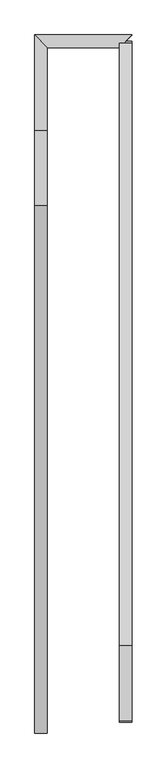
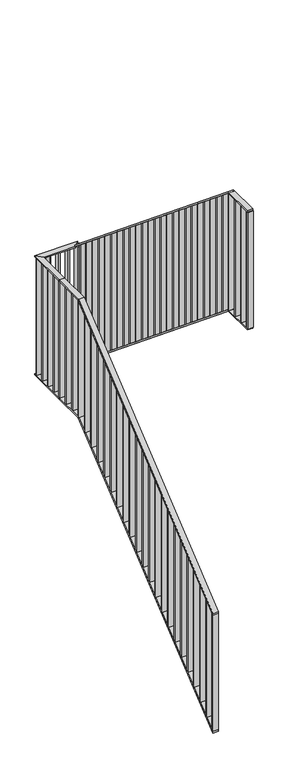
"""IFC4 building model written with IfcOpenShell, lengths in millimetres: railing geometry."""

import ifcopenshell
import ifcopenshell.guid

model = None  # the IFC model being written
_history = None  # IfcOwnerHistory: only IFC2X3 demands one
_inside = {}  # id of a spatial element -> (the spatial element, [elements in it])
_under = {}  # id of a project, library or spatial element -> (it, [spatial elements below it])
_declared = {}  # id of a project -> (the project, [libraries it declares])
_typed = {}  # id of a type object -> (the type object, [elements of that type])
_made_of = {}  # id of a material, layer set ... -> (it, [elements and type objects made of it])


def new_model(schema):
    """Start an empty IFC model of exactly this schema.

    Asked for "IFC4X3", IfcOpenShell would pick the latest addendum, in which some entities
    have other attributes; the version numbers below select the first issue.
    IFC2X3 requires an IfcOwnerHistory on every rooted entity: one is made here for all.
    """
    global model, _history
    if schema == "IFC4X3":
        model = ifcopenshell.file(schema_version=(4, 3, 0, 0))
    else:
        model = ifcopenshell.file(schema=schema)
    _inside.clear()
    _under.clear()
    _declared.clear()
    _typed.clear()
    _made_of.clear()
    _history = None
    if model.schema == "IFC2X3":
        org = make("IfcOrganization", Name="unknown")
        user = make(
            "IfcPersonAndOrganization",
            ThePerson=make("IfcPerson", FamilyName="unknown"),
            TheOrganization=org,
        )
        app = make(
            "IfcApplication",
            ApplicationDeveloper=org,
            Version="unknown",
            ApplicationFullName="unknown",
            ApplicationIdentifier="unknown",
        )
        _history = make(
            "IfcOwnerHistory",
            OwningUser=user,
            OwningApplication=app,
            ChangeAction="ADDED",
            CreationDate=0,
        )
    return model


def make(cls, **values):
    """One entity of the class cls with the attributes given. An attribute that is None is left unset."""
    return model.create_entity(
        cls, **{name: value for name, value in values.items() if value is not None}
    )


def rooted(cls, **values):
    """An entity with a GlobalId (a new one), such as an element, a storey or a relation."""
    return make(cls, GlobalId=ifcopenshell.guid.new(), OwnerHistory=_history, **values)


def si_unit(unit_type, name, prefix=None):
    """IfcSIUnit, for example si_unit("LENGTHUNIT", "METRE", prefix="MILLI")."""
    return make("IfcSIUnit", UnitType=unit_type, Prefix=prefix, Name=name)


def assignment(units):
    """IfcUnitAssignment: the units of a project."""
    return None if units is None else make("IfcUnitAssignment", Units=units)


def point(xyz):
    """IfcCartesianPoint."""
    return None if xyz is None else make("IfcCartesianPoint", Coordinates=xyz)


def direction(xyz):
    """IfcDirection."""
    return None if xyz is None else make("IfcDirection", DirectionRatios=xyz)


def frame(location, z_axis=None, x_axis=None):
    """IfcAxis2Placement3D, a coordinate frame: its origin and axes. An axis left out is left unset."""
    return make(
        "IfcAxis2Placement3D",
        Location=point(location),
        Axis=direction(z_axis),
        RefDirection=direction(x_axis),
    )


def origin():
    """The frame at (0, 0, 0) with its axes left unset."""
    return frame((0.0, 0.0, 0.0))


def place(relative_to, where):
    """IfcLocalPlacement: puts the frame where relative to a parent placement (None: the world)."""
    return make(
        "IfcLocalPlacement", PlacementRelTo=relative_to, RelativePlacement=where
    )


def context(
    kind, dimensions, precision=None, world=None, true_north=None, identifier=None
):
    """IfcGeometricRepresentationContext, for example the 3D "Model" context."""
    return make(
        "IfcGeometricRepresentationContext",
        ContextIdentifier=identifier,
        ContextType=kind,
        CoordinateSpaceDimension=dimensions,
        Precision=precision,
        WorldCoordinateSystem=world,
        TrueNorth=true_north,
    )


def project(units=None, contexts=None):
    """IfcProject with its units and contexts."""
    return rooted(
        "IfcProject",
        Name="project",
        RepresentationContexts=contexts,
        UnitsInContext=assignment(units),
    )


def spatial(cls, under=None, at=None, **own):
    """A site, building, storey or space (cls), placed at a placement, below another one or the project."""
    s = rooted(cls, ObjectPlacement=at, **own)
    if under is not None:
        _under.setdefault(under.id(), (under, []))[1].append(s)
    return s


def polyline(points):
    """IfcPolyline through the points."""
    return make("IfcPolyline", Points=[point(p) for p in points])


def outline(outer, holes=None, kind="AREA"):
    """IfcArbitraryClosedProfileDef: a profile drawn as a closed curve; with holes, ...WithVoids."""
    if holes is None:
        return make("IfcArbitraryClosedProfileDef", ProfileType=kind, OuterCurve=outer)
    return make(
        "IfcArbitraryProfileDefWithVoids",
        ProfileType=kind,
        OuterCurve=outer,
        InnerCurves=holes,
    )


def extrude(swept, where, along, depth):
    """IfcExtrudedAreaSolid: the profile swept, set in the frame where, extruded along a direction by depth."""
    return make(
        "IfcExtrudedAreaSolid",
        SweptArea=swept,
        Position=where,
        ExtrudedDirection=direction(along),
        Depth=depth,
    )


def faces_of(points, faces, orient=None, outer=None):
    """IfcFace entities. A face is a list of loops; a loop is a list of indices into points, from 0.

    orient and outer hold one flag for each loop. By default every Orientation is true, the
    first loop of a face is its IfcFaceOuterBound and the others are IfcFaceBound.
    """
    made = []
    for i, loops in enumerate(faces):
        bounds = []
        for j, loop in enumerate(loops):
            is_outer = j == 0 if outer is None else outer[i][j]
            bounds.append(
                make(
                    "IfcFaceOuterBound" if is_outer else "IfcFaceBound",
                    Bound=make("IfcPolyLoop", Polygon=[points[k] for k in loop]),
                    Orientation=True if orient is None else orient[i][j],
                )
            )
        made.append(make("IfcFace", Bounds=bounds))
    return made


def faceted_brep(points, faces, orient=None, outer=None, voids=None):
    """IfcFacetedBrep: a solid bounded by flat faces; with voids (closed shells), ...WithVoids."""
    shared = [point(p) for p in points]
    hull = make("IfcClosedShell", CfsFaces=faces_of(shared, faces, orient, outer))
    if voids is None:
        return make("IfcFacetedBrep", Outer=hull)
    return make(
        "IfcFacetedBrepWithVoids",
        Outer=hull,
        Voids=[
            make(cls, CfsFaces=faces_of(shared, fs, o, b)) for cls, fs, o, b in voids
        ],
    )


def shape(context_of_items, identifier, shape_type, items):
    """IfcShapeRepresentation: the items that make up one representation, for example the "Body"."""
    return make(
        "IfcShapeRepresentation",
        ContextOfItems=context_of_items,
        RepresentationIdentifier=identifier,
        RepresentationType=shape_type,
        Items=items,
    )


def source(mapping_origin, context_of_items, identifier, shape_type, items):
    """IfcRepresentationMap: a shape defined once, which mapped items show again and again."""
    return make(
        "IfcRepresentationMap",
        MappingOrigin=mapping_origin,
        MappedRepresentation=shape(context_of_items, identifier, shape_type, items),
    )


def transform(
    local_origin,
    x_axis=None,
    y_axis=None,
    z_axis=None,
    scale=None,
    scale2=None,
    scale3=None,
    uniform=True,
):
    """IfcCartesianTransformationOperator3D, or its non-uniform kind. x_axis, y_axis, z_axis: its Axis1, 2, 3."""
    if uniform:
        return make(
            "IfcCartesianTransformationOperator3D",
            Axis1=direction(x_axis),
            Axis2=direction(y_axis),
            LocalOrigin=point(local_origin),
            Scale=scale,
            Axis3=direction(z_axis),
        )
    return make(
        "IfcCartesianTransformationOperator3DnonUniform",
        Axis1=direction(x_axis),
        Axis2=direction(y_axis),
        LocalOrigin=point(local_origin),
        Scale=scale,
        Axis3=direction(z_axis),
        Scale2=scale2,
        Scale3=scale3,
    )


def mapped(mapping_source, mapping_target):
    """IfcMappedItem: shows the shape of a source again, moved by a transform."""
    return make(
        "IfcMappedItem", MappingSource=mapping_source, MappingTarget=mapping_target
    )


def made_of(thing, what):
    """Note that an element or type object is made of a material, layer set ...; save() writes the relation."""
    if what is not None:
        _made_of.setdefault(what.id(), (what, []))[1].append(thing)
    return thing


def element(
    cls,
    number,
    at=None,
    inside=None,
    cuts=None,
    type_object=None,
    material=None,
    context=None,
    identifier="Body",
    shape_type=None,
    held_by="IfcProductDefinitionShape",
    body=None,
    shapes=None,
    **own,
):
    """One element of the class cls, such as IfcWall. Its Tag is "e" and its number.

    at: its placement. inside: the storey or other place that contains it. cuts: it is an
    opening in that element (IfcRelVoidsElement). A single representation is given by context,
    identifier, shape_type and body (its items); several are given by shapes. held_by: the class
    of the entity that holds the representations. save() writes the other relations.
    """
    e = rooted(cls, Tag="e%d" % number, ObjectPlacement=at, **own)
    if body is not None:
        shapes = [shape(context, identifier, shape_type, body)]
    if shapes is not None:
        e.Representation = make(held_by, Representations=shapes)
    if inside is not None:
        _inside.setdefault(inside.id(), (inside, []))[1].append(e)
    if cuts is not None:
        rooted(
            "IfcRelVoidsElement", RelatingBuildingElement=cuts, RelatedOpeningElement=e
        )
    if type_object is not None:
        _typed.setdefault(type_object.id(), (type_object, []))[1].append(e)
    return made_of(e, material)


def aggregate(whole, parts):
    """IfcRelAggregates: a whole, such as a stair, and the parts it consists of."""
    return rooted("IfcRelAggregates", RelatingObject=whole, RelatedObjects=parts)


def save(model, path):
    """Write the relations noted so far, then the file.

    IfcRelAggregates (storeys below a building ...), IfcRelContainedInSpatialStructure (elements
    in a storey), IfcRelDefinesByType, IfcRelAssociatesMaterial and IfcRelDeclares: one each for
    every whole, place, type object, material and project.
    """
    for whole, parts in _under.values():
        aggregate(whole, parts)
    for where, things in _inside.values():
        rooted(
            "IfcRelContainedInSpatialStructure",
            RelatedElements=things,
            RelatingStructure=where,
        )
    for kind, things in _typed.values():
        rooted("IfcRelDefinesByType", RelatedObjects=things, RelatingType=kind)
    for what, things in _made_of.values():
        rooted("IfcRelAssociatesMaterial", RelatedObjects=things, RelatingMaterial=what)
    for by, libraries in _declared.values():
        rooted("IfcRelDeclares", RelatingContext=by, RelatedDefinitions=libraries)
    model.write(path)


def railing_2503a755(model_context):
    return source(origin(), model_context, "Body", "SolidModel", [
        faceted_brep([(16134.6, 16194.0, 1197.125), (16094.6, 16194.0, 1197.125), (16094.6, 16194.0, 1184.200504), (16134.6, 16194.0, 1184.200504), (16134.6, 17879.25, 2577.0), (16094.6, 17879.25, 2577.0), (16094.6, 17882.8217053, 2567.0), (16134.6, 17882.8217053, 2567.0), (16134.6, 18120.0, 2577.0), (16134.6, 18120.0, 2567.0), (16094.6, 18120.0, 2567.0), (16094.6, 18120.0, 2577.0)], [[[0, 1, 2, 3]], [[1, 0, 4, 5]], [[2, 1, 5, 6]], [[3, 2, 6, 7]], [[0, 3, 7, 4]], [[8, 9, 10, 11]], [[5, 4, 8, 11]], [[6, 5, 11, 10]], [[7, 6, 10, 9]], [[4, 7, 9, 8]]]),
        faceted_brep([(16134.6, 18120.0, 2577.0), (16094.6, 18120.0, 2577.0), (16094.6, 18120.0, 2567.0), (16134.6, 18120.0, 2567.0), (16134.6, 18385.4, 2577.0), (16134.6, 18385.4, 2567.0), (16094.6, 18425.4, 2567.0), (16094.6, 18425.4, 2577.0)], [[[0, 1, 2, 3]], [[4, 5, 6, 7]], [[1, 0, 4, 7]], [[2, 1, 7, 6]], [[3, 2, 6, 5]], [[0, 3, 5, 4]]]),
        faceted_brep([(16134.6, 18385.4, 2577.0), (16094.6, 18425.4, 2577.0), (16094.6, 18425.4, 2567.0), (16134.6, 18385.4, 2567.0), (16365.4, 18385.4, 2577.0), (16365.4, 18385.4, 2567.0), (16405.4, 18425.4, 2567.0), (16405.4, 18425.4, 2577.0)], [[[0, 1, 2, 3]], [[4, 5, 6, 7]], [[1, 0, 4, 7]], [[2, 1, 7, 6]], [[3, 2, 6, 5]], [[0, 3, 5, 4]]]),
        faceted_brep([(16365.4, 18405.4, 2577.0), (16405.4, 18405.4, 2577.0), (16405.4, 18405.4, 2567.0), (16365.4, 18405.4, 2567.0), (16365.4, 18400.0, 2577.0), (16405.4, 18400.0, 2577.0), (16405.4, 18396.4282947, 2567.0), (16365.4, 18396.4282947, 2567.0), (16365.4, 16474.0, 4154.0), (16405.4, 16474.0, 4154.0), (16405.4, 16470.4282947, 4144.0), (16365.4, 16470.4282947, 4144.0), (16365.4, 16233.25, 4154.0), (16365.4, 16233.25, 4144.0), (16405.4, 16233.25, 4144.0), (16405.4, 16233.25, 4154.0)], [[[0, 1, 2, 3]], [[1, 0, 4, 5]], [[2, 1, 5, 6]], [[3, 2, 6, 7]], [[0, 3, 7, 4]], [[5, 4, 8, 9]], [[6, 5, 9, 10]], [[7, 6, 10, 11]], [[4, 7, 11, 8]], [[12, 13, 14, 15]], [[9, 8, 12, 15]], [[10, 9, 15, 14]], [[11, 10, 14, 13]], [[8, 11, 13, 12]]]),
        faceted_brep([(16134.6, 16194.0, 297.125), (16094.6, 16194.0, 297.125), (16094.6, 16194.0, 284.200504), (16134.6, 16194.0, 284.200504), (16134.6, 17879.25, 1677.0), (16094.6, 17879.25, 1677.0), (16094.6, 17882.8217053, 1667.0), (16134.6, 17882.8217053, 1667.0), (16134.6, 18120.0, 1677.0), (16134.6, 18120.0, 1667.0), (16094.6, 18120.0, 1667.0), (16094.6, 18120.0, 1677.0)], [[[0, 1, 2, 3]], [[1, 0, 4, 5]], [[2, 1, 5, 6]], [[3, 2, 6, 7]], [[0, 3, 7, 4]], [[8, 9, 10, 11]], [[5, 4, 8, 11]], [[6, 5, 11, 10]], [[7, 6, 10, 9]], [[4, 7, 9, 8]]]),
        faceted_brep([(16134.6, 18120.0, 1677.0), (16094.6, 18120.0, 1677.0), (16094.6, 18120.0, 1667.0), (16134.6, 18120.0, 1667.0), (16134.6, 18385.4, 1677.0), (16134.6, 18385.4, 1667.0), (16094.6, 18425.4, 1667.0), (16094.6, 18425.4, 1677.0)], [[[0, 1, 2, 3]], [[4, 5, 6, 7]], [[1, 0, 4, 7]], [[2, 1, 7, 6]], [[3, 2, 6, 5]], [[0, 3, 5, 4]]]),
        faceted_brep([(16134.6, 18385.4, 1677.0), (16094.6, 18425.4, 1677.0), (16094.6, 18425.4, 1667.0), (16134.6, 18385.4, 1667.0), (16365.4, 18385.4, 1677.0), (16365.4, 18385.4, 1667.0), (16405.4, 18425.4, 1667.0), (16405.4, 18425.4, 1677.0)], [[[0, 1, 2, 3]], [[4, 5, 6, 7]], [[1, 0, 4, 7]], [[2, 1, 7, 6]], [[3, 2, 6, 5]], [[0, 3, 5, 4]]]),
        faceted_brep([(16365.4, 18405.4, 1677.0), (16405.4, 18405.4, 1677.0), (16405.4, 18405.4, 1667.0), (16365.4, 18405.4, 1667.0), (16365.4, 18400.0, 1677.0), (16405.4, 18400.0, 1677.0), (16405.4, 18396.4282947, 1667.0), (16365.4, 18396.4282947, 1667.0), (16365.4, 16474.0, 3254.0), (16405.4, 16474.0, 3254.0), (16405.4, 16470.4282947, 3244.0), (16365.4, 16470.4282947, 3244.0), (16365.4, 16233.25, 3254.0), (16365.4, 16233.25, 3244.0), (16405.4, 16233.25, 3244.0), (16405.4, 16233.25, 3254.0)], [[[0, 1, 2, 3]], [[1, 0, 4, 5]], [[2, 1, 5, 6]], [[3, 2, 6, 7]], [[0, 3, 7, 4]], [[5, 4, 8, 9]], [[6, 5, 9, 10]], [[7, 6, 10, 11]], [[4, 7, 11, 8]], [[12, 13, 14, 15]], [[9, 8, 12, 15]], [[10, 9, 15, 14]], [[11, 10, 14, 13]], [[8, 11, 13, 12]]]),
        extrude(outline(polyline([(16365.4, 16238.25), (16405.4, 16238.25), (16405.4, 16228.25), (16365.4, 16228.25), (16365.4, 16238.25)])), frame((0.0, 0.0, 3254.0), z_axis=(0.0, 0.0, 1.0), x_axis=(1.0, 0.0, 0.0)), (0.0, 0.0, 1.0), 890.0),
        extrude(outline(polyline([(16365.4, 16315.8267857), (16405.4, 16315.8267857), (16405.4, 16305.8267857), (16365.4, 16305.8267857), (16365.4, 16315.8267857)])), frame((0.0, 0.0, 3254.0), z_axis=(0.0, 0.0, 1.0), x_axis=(1.0, 0.0, 0.0)), (0.0, 0.0, 1.0), 890.0),
        extrude(outline(polyline([(16365.4, 16393.4035714), (16405.4, 16393.4035714), (16405.4, 16383.4035714), (16365.4, 16383.4035714), (16365.4, 16393.4035714)])), frame((0.0, 0.0, 3254.0), z_axis=(0.0, 0.0, 1.0), x_axis=(1.0, 0.0, 0.0)), (0.0, 0.0, 1.0), 890.0),
        extrude(outline(polyline([(16365.4, 16470.9803571), (16405.4, 16470.9803571), (16405.4, 16460.9803571), (16365.4, 16460.9803571), (16365.4, 16470.9803571)])), frame((0.0, 0.0, 3254.0), z_axis=(0.0, 0.0, 1.0), x_axis=(1.0, 0.0, 0.0)), (0.0, 0.0, 1.0), 890.0),
        extrude(outline(polyline([(16548.5571429, 4082.9529521), (16548.5571429, 3192.9529521), (16538.5571429, 3201.1409064), (16538.5571429, 4091.1409064), (16548.5571429, 4082.9529521)])), frame((16365.4, 0.0, 0.0), z_axis=(1.0, 0.0, 0.0), x_axis=(0.0, 1.0, 0.0)), (0.0, 0.0, 1.0), 40.0),
        extrude(outline(polyline([(16626.1339286, 4019.4334344), (16626.1339286, 3129.4334344), (16616.1339286, 3137.6213887), (16616.1339286, 4027.6213887), (16626.1339286, 4019.4334344)])), frame((16365.4, 0.0, 0.0), z_axis=(1.0, 0.0, 0.0), x_axis=(0.0, 1.0, 0.0)), (0.0, 0.0, 1.0), 40.0),
        extrude(outline(polyline([(16703.7107143, 3955.9139167), (16703.7107143, 3065.9139167), (16693.7107143, 3074.101871), (16693.7107143, 3964.101871), (16703.7107143, 3955.9139167)])), frame((16365.4, 0.0, 0.0), z_axis=(1.0, 0.0, 0.0), x_axis=(0.0, 1.0, 0.0)), (0.0, 0.0, 1.0), 40.0),
        extrude(outline(polyline([(16781.2875, 3892.394399), (16781.2875, 3002.394399), (16771.2875, 3010.5823533), (16771.2875, 3900.5823533), (16781.2875, 3892.394399)])), frame((16365.4, 0.0, 0.0), z_axis=(1.0, 0.0, 0.0), x_axis=(0.0, 1.0, 0.0)), (0.0, 0.0, 1.0), 40.0),
        extrude(outline(polyline([(16858.8642857, 3828.8748813), (16858.8642857, 2938.8748813), (16848.8642857, 2947.0628356), (16848.8642857, 3837.0628356), (16858.8642857, 3828.8748813)])), frame((16365.4, 0.0, 0.0), z_axis=(1.0, 0.0, 0.0), x_axis=(0.0, 1.0, 0.0)), (0.0, 0.0, 1.0), 40.0),
        extrude(outline(polyline([(16936.4410714, 3765.3553636), (16936.4410714, 2875.3553636), (16926.4410714, 2883.5433179), (16926.4410714, 3773.5433179), (16936.4410714, 3765.3553636)])), frame((16365.4, 0.0, 0.0), z_axis=(1.0, 0.0, 0.0), x_axis=(0.0, 1.0, 0.0)), (0.0, 0.0, 1.0), 40.0),
        extrude(outline(polyline([(17014.0178571, 3701.8358459), (17014.0178571, 2811.8358459), (17004.0178571, 2820.0238003), (17004.0178571, 3710.0238003), (17014.0178571, 3701.8358459)])), frame((16365.4, 0.0, 0.0), z_axis=(1.0, 0.0, 0.0), x_axis=(0.0, 1.0, 0.0)), (0.0, 0.0, 1.0), 40.0),
        extrude(outline(polyline([(17091.5946429, 3638.3163283), (17091.5946429, 2748.3163283), (17081.5946429, 2756.5042826), (17081.5946429, 3646.5042826), (17091.5946429, 3638.3163283)])), frame((16365.4, 0.0, 0.0), z_axis=(1.0, 0.0, 0.0), x_axis=(0.0, 1.0, 0.0)), (0.0, 0.0, 1.0), 40.0),
        extrude(outline(polyline([(17169.1714286, 3574.7968106), (17169.1714286, 2684.7968106), (17159.1714286, 2692.9847649), (17159.1714286, 3582.9847649), (17169.1714286, 3574.7968106)])), frame((16365.4, 0.0, 0.0), z_axis=(1.0, 0.0, 0.0), x_axis=(0.0, 1.0, 0.0)), (0.0, 0.0, 1.0), 40.0),
        extrude(outline(polyline([(17246.7482143, 3511.2772929), (17246.7482143, 2621.2772929), (17236.7482143, 2629.4652472), (17236.7482143, 3519.4652472), (17246.7482143, 3511.2772929)])), frame((16365.4, 0.0, 0.0), z_axis=(1.0, 0.0, 0.0), x_axis=(0.0, 1.0, 0.0)), (0.0, 0.0, 1.0), 40.0),
        extrude(outline(polyline([(17324.325, 3447.7577752), (17324.325, 2557.7577752), (17314.325, 2565.9457295), (17314.325, 3455.9457295), (17324.325, 3447.7577752)])), frame((16365.4, 0.0, 0.0), z_axis=(1.0, 0.0, 0.0), x_axis=(0.0, 1.0, 0.0)), (0.0, 0.0, 1.0), 40.0),
        extrude(outline(polyline([(17401.9017857, 3384.2382575), (17401.9017857, 2494.2382575), (17391.9017857, 2502.4262118), (17391.9017857, 3392.4262118), (17401.9017857, 3384.2382575)])), frame((16365.4, 0.0, 0.0), z_axis=(1.0, 0.0, 0.0), x_axis=(0.0, 1.0, 0.0)), (0.0, 0.0, 1.0), 40.0),
        extrude(outline(polyline([(17479.4785714, 3320.7187398), (17479.4785714, 2430.7187398), (17469.4785714, 2438.9066941), (17469.4785714, 3328.9066941), (17479.4785714, 3320.7187398)])), frame((16365.4, 0.0, 0.0), z_axis=(1.0, 0.0, 0.0), x_axis=(0.0, 1.0, 0.0)), (0.0, 0.0, 1.0), 40.0),
        extrude(outline(polyline([(17557.0553571, 3257.1992221), (17557.0553571, 2367.1992221), (17547.0553571, 2375.3871764), (17547.0553571, 3265.3871764), (17557.0553571, 3257.1992221)])), frame((16365.4, 0.0, 0.0), z_axis=(1.0, 0.0, 0.0), x_axis=(0.0, 1.0, 0.0)), (0.0, 0.0, 1.0), 40.0),
        extrude(outline(polyline([(17634.6321429, 3193.6797044), (17634.6321429, 2303.6797044), (17624.6321429, 2311.8676587), (17624.6321429, 3201.8676587), (17634.6321429, 3193.6797044)])), frame((16365.4, 0.0, 0.0), z_axis=(1.0, 0.0, 0.0), x_axis=(0.0, 1.0, 0.0)), (0.0, 0.0, 1.0), 40.0),
        extrude(outline(polyline([(17712.2089286, 3130.1601867), (17712.2089286, 2240.1601867), (17702.2089286, 2248.348141), (17702.2089286, 3138.348141), (17712.2089286, 3130.1601867)])), frame((16365.4, 0.0, 0.0), z_axis=(1.0, 0.0, 0.0), x_axis=(0.0, 1.0, 0.0)), (0.0, 0.0, 1.0), 40.0),
        extrude(outline(polyline([(17789.7857143, 3066.640669), (17789.7857143, 2176.640669), (17779.7857143, 2184.8286233), (17779.7857143, 3074.8286233), (17789.7857143, 3066.640669)])), frame((16365.4, 0.0, 0.0), z_axis=(1.0, 0.0, 0.0), x_axis=(0.0, 1.0, 0.0)), (0.0, 0.0, 1.0), 40.0),
        extrude(outline(polyline([(17867.3625, 3003.1211513), (17867.3625, 2113.1211513), (17857.3625, 2121.3091057), (17857.3625, 3011.3091057), (17867.3625, 3003.1211513)])), frame((16365.4, 0.0, 0.0), z_axis=(1.0, 0.0, 0.0), x_axis=(0.0, 1.0, 0.0)), (0.0, 0.0, 1.0), 40.0),
        extrude(outline(polyline([(17944.9392857, 2939.6016337), (17944.9392857, 2049.6016337), (17934.9392857, 2057.789588), (17934.9392857, 2947.789588), (17944.9392857, 2939.6016337)])), frame((16365.4, 0.0, 0.0), z_axis=(1.0, 0.0, 0.0), x_axis=(0.0, 1.0, 0.0)), (0.0, 0.0, 1.0), 40.0),
        extrude(outline(polyline([(18022.5160714, 2876.082116), (18022.5160714, 1986.082116), (18012.5160714, 1994.2700703), (18012.5160714, 2884.2700703), (18022.5160714, 2876.082116)])), frame((16365.4, 0.0, 0.0), z_axis=(1.0, 0.0, 0.0), x_axis=(0.0, 1.0, 0.0)), (0.0, 0.0, 1.0), 40.0),
        extrude(outline(polyline([(18100.0928571, 2812.5625983), (18100.0928571, 1922.5625983), (18090.0928571, 1930.7505526), (18090.0928571, 2820.7505526), (18100.0928571, 2812.5625983)])), frame((16365.4, 0.0, 0.0), z_axis=(1.0, 0.0, 0.0), x_axis=(0.0, 1.0, 0.0)), (0.0, 0.0, 1.0), 40.0),
        extrude(outline(polyline([(18177.6696429, 2749.0430806), (18177.6696429, 1859.0430806), (18167.6696429, 1867.2310349), (18167.6696429, 2757.2310349), (18177.6696429, 2749.0430806)])), frame((16365.4, 0.0, 0.0), z_axis=(1.0, 0.0, 0.0), x_axis=(0.0, 1.0, 0.0)), (0.0, 0.0, 1.0), 40.0),
        extrude(outline(polyline([(18255.2464286, 2685.5235629), (18255.2464286, 1795.5235629), (18245.2464286, 1803.7115172), (18245.2464286, 2693.7115172), (18255.2464286, 2685.5235629)])), frame((16365.4, 0.0, 0.0), z_axis=(1.0, 0.0, 0.0), x_axis=(0.0, 1.0, 0.0)), (0.0, 0.0, 1.0), 40.0),
        extrude(outline(polyline([(18332.8232143, 2622.0040452), (18332.8232143, 1732.0040452), (18322.8232143, 1740.1919995), (18322.8232143, 2630.1919995), (18332.8232143, 2622.0040452)])), frame((16365.4, 0.0, 0.0), z_axis=(1.0, 0.0, 0.0), x_axis=(0.0, 1.0, 0.0)), (0.0, 0.0, 1.0), 40.0),
        extrude(outline(polyline([(16380.4, 18385.4), (16380.4, 18425.4), (16390.4, 18425.4), (16390.4, 18385.4), (16380.4, 18385.4)])), frame((0.0, 0.0, 1677.0), z_axis=(0.0, 0.0, 1.0), x_axis=(1.0, 0.0, 0.0)), (0.0, 0.0, 1.0), 890.0),
        extrude(outline(polyline([(16312.7, 18385.4), (16312.7, 18425.4), (16322.7, 18425.4), (16322.7, 18385.4), (16312.7, 18385.4)])), frame((0.0, 0.0, 1677.0), z_axis=(0.0, 0.0, 1.0), x_axis=(1.0, 0.0, 0.0)), (0.0, 0.0, 1.0), 890.0),
        extrude(outline(polyline([(16245.0, 18385.4), (16245.0, 18425.4), (16255.0, 18425.4), (16255.0, 18385.4), (16245.0, 18385.4)])), frame((0.0, 0.0, 1677.0), z_axis=(0.0, 0.0, 1.0), x_axis=(1.0, 0.0, 0.0)), (0.0, 0.0, 1.0), 890.0),
        extrude(outline(polyline([(16177.3, 18385.4), (16177.3, 18425.4), (16187.3, 18425.4), (16187.3, 18385.4), (16177.3, 18385.4)])), frame((0.0, 0.0, 1677.0), z_axis=(0.0, 0.0, 1.0), x_axis=(1.0, 0.0, 0.0)), (0.0, 0.0, 1.0), 890.0),
        extrude(outline(polyline([(16134.6, 18400.4), (16094.6, 18400.4), (16094.6, 18410.4), (16134.6, 18410.4), (16134.6, 18400.4)])), frame((0.0, 0.0, 1677.0), z_axis=(0.0, 0.0, 1.0), x_axis=(1.0, 0.0, 0.0)), (0.0, 0.0, 1.0), 890.0),
        extrude(outline(polyline([(16134.6, 18329.05), (16094.6, 18329.05), (16094.6, 18339.05), (16134.6, 18339.05), (16134.6, 18329.05)])), frame((0.0, 0.0, 1677.0), z_axis=(0.0, 0.0, 1.0), x_axis=(1.0, 0.0, 0.0)), (0.0, 0.0, 1.0), 890.0),
        extrude(outline(polyline([(16134.6, 18257.7), (16094.6, 18257.7), (16094.6, 18267.7), (16134.6, 18267.7), (16134.6, 18257.7)])), frame((0.0, 0.0, 1677.0), z_axis=(0.0, 0.0, 1.0), x_axis=(1.0, 0.0, 0.0)), (0.0, 0.0, 1.0), 890.0),
        extrude(outline(polyline([(16134.6, 18186.35), (16094.6, 18186.35), (16094.6, 18196.35), (16134.6, 18196.35), (16134.6, 18186.35)])), frame((0.0, 0.0, 1677.0), z_axis=(0.0, 0.0, 1.0), x_axis=(1.0, 0.0, 0.0)), (0.0, 0.0, 1.0), 890.0),
        extrude(outline(polyline([(16134.6, 18115.0), (16094.6, 18115.0), (16094.6, 18125.0), (16134.6, 18125.0), (16134.6, 18115.0)])), frame((0.0, 0.0, 1677.0), z_axis=(0.0, 0.0, 1.0), x_axis=(1.0, 0.0, 0.0)), (0.0, 0.0, 1.0), 890.0),
        extrude(outline(polyline([(16134.6, 18034.75), (16094.6, 18034.75), (16094.6, 18044.75), (16134.6, 18044.75), (16134.6, 18034.75)])), frame((0.0, 0.0, 1677.0), z_axis=(0.0, 0.0, 1.0), x_axis=(1.0, 0.0, 0.0)), (0.0, 0.0, 1.0), 890.0),
        extrude(outline(polyline([(16134.6, 17954.5), (16094.6, 17954.5), (16094.6, 17964.5), (16134.6, 17964.5), (16134.6, 17954.5)])), frame((0.0, 0.0, 1677.0), z_axis=(0.0, 0.0, 1.0), x_axis=(1.0, 0.0, 0.0)), (0.0, 0.0, 1.0), 890.0),
        extrude(outline(polyline([(17874.25, 1672.9060228), (17874.25, 2562.9060228), (17884.25, 2571.0939772), (17884.25, 1681.0939772), (17874.25, 1672.9060228)])), frame((16094.6, 0.0, 0.0), z_axis=(1.0, 0.0, 0.0), x_axis=(0.0, 1.0, 0.0)), (0.0, 0.0, 1.0), 40.0),
        extrude(outline(polyline([(17794.0, 1607.1976895), (17794.0, 2497.1976895), (17804.0, 2505.3856438), (17804.0, 1615.3856438), (17794.0, 1607.1976895)])), frame((16094.6, 0.0, 0.0), z_axis=(1.0, 0.0, 0.0), x_axis=(0.0, 1.0, 0.0)), (0.0, 0.0, 1.0), 40.0),
        extrude(outline(polyline([(17713.75, 1541.4893562), (17713.75, 2431.4893562), (17723.75, 2439.6773105), (17723.75, 1549.6773105), (17713.75, 1541.4893562)])), frame((16094.6, 0.0, 0.0), z_axis=(1.0, 0.0, 0.0), x_axis=(0.0, 1.0, 0.0)), (0.0, 0.0, 1.0), 40.0),
        extrude(outline(polyline([(17633.5, 1475.7810228), (17633.5, 2365.7810228), (17643.5, 2373.9689772), (17643.5, 1483.9689772), (17633.5, 1475.7810228)])), frame((16094.6, 0.0, 0.0), z_axis=(1.0, 0.0, 0.0), x_axis=(0.0, 1.0, 0.0)), (0.0, 0.0, 1.0), 40.0),
        extrude(outline(polyline([(17553.25, 1410.0726895), (17553.25, 2300.0726895), (17563.25, 2308.2606438), (17563.25, 1418.2606438), (17553.25, 1410.0726895)])), frame((16094.6, 0.0, 0.0), z_axis=(1.0, 0.0, 0.0), x_axis=(0.0, 1.0, 0.0)), (0.0, 0.0, 1.0), 40.0),
        extrude(outline(polyline([(17473.0, 1344.3643562), (17473.0, 2234.3643562), (17483.0, 2242.5523105), (17483.0, 1352.5523105), (17473.0, 1344.3643562)])), frame((16094.6, 0.0, 0.0), z_axis=(1.0, 0.0, 0.0), x_axis=(0.0, 1.0, 0.0)), (0.0, 0.0, 1.0), 40.0),
        extrude(outline(polyline([(17392.75, 1278.6560228), (17392.75, 2168.6560228), (17402.75, 2176.8439772), (17402.75, 1286.8439772), (17392.75, 1278.6560228)])), frame((16094.6, 0.0, 0.0), z_axis=(1.0, 0.0, 0.0), x_axis=(0.0, 1.0, 0.0)), (0.0, 0.0, 1.0), 40.0),
        extrude(outline(polyline([(17312.5, 1212.9476895), (17312.5, 2102.9476895), (17322.5, 2111.1356438), (17322.5, 1221.1356438), (17312.5, 1212.9476895)])), frame((16094.6, 0.0, 0.0), z_axis=(1.0, 0.0, 0.0), x_axis=(0.0, 1.0, 0.0)), (0.0, 0.0, 1.0), 40.0),
        extrude(outline(polyline([(17232.25, 1147.2393562), (17232.25, 2037.2393562), (17242.25, 2045.4273105), (17242.25, 1155.4273105), (17232.25, 1147.2393562)])), frame((16094.6, 0.0, 0.0), z_axis=(1.0, 0.0, 0.0), x_axis=(0.0, 1.0, 0.0)), (0.0, 0.0, 1.0), 40.0),
        extrude(outline(polyline([(17152.0, 1081.5310228), (17152.0, 1971.5310228), (17162.0, 1979.7189772), (17162.0, 1089.7189772), (17152.0, 1081.5310228)])), frame((16094.6, 0.0, 0.0), z_axis=(1.0, 0.0, 0.0), x_axis=(0.0, 1.0, 0.0)), (0.0, 0.0, 1.0), 40.0),
        extrude(outline(polyline([(17071.75, 1015.8226895), (17071.75, 1905.8226895), (17081.75, 1914.0106438), (17081.75, 1024.0106438), (17071.75, 1015.8226895)])), frame((16094.6, 0.0, 0.0), z_axis=(1.0, 0.0, 0.0), x_axis=(0.0, 1.0, 0.0)), (0.0, 0.0, 1.0), 40.0),
        extrude(outline(polyline([(16991.5, 950.1143562), (16991.5, 1840.1143562), (17001.5, 1848.3023105), (17001.5, 958.3023105), (16991.5, 950.1143562)])), frame((16094.6, 0.0, 0.0), z_axis=(1.0, 0.0, 0.0), x_axis=(0.0, 1.0, 0.0)), (0.0, 0.0, 1.0), 40.0),
        extrude(outline(polyline([(16911.25, 884.4060228), (16911.25, 1774.4060228), (16921.25, 1782.5939772), (16921.25, 892.5939772), (16911.25, 884.4060228)])), frame((16094.6, 0.0, 0.0), z_axis=(1.0, 0.0, 0.0), x_axis=(0.0, 1.0, 0.0)), (0.0, 0.0, 1.0), 40.0),
        extrude(outline(polyline([(16831.0, 818.6976895), (16831.0, 1708.6976895), (16841.0, 1716.8856438), (16841.0, 826.8856438), (16831.0, 818.6976895)])), frame((16094.6, 0.0, 0.0), z_axis=(1.0, 0.0, 0.0), x_axis=(0.0, 1.0, 0.0)), (0.0, 0.0, 1.0), 40.0),
        extrude(outline(polyline([(16750.75, 752.9893562), (16750.75, 1642.9893562), (16760.75, 1651.1773105), (16760.75, 761.1773105), (16750.75, 752.9893562)])), frame((16094.6, 0.0, 0.0), z_axis=(1.0, 0.0, 0.0), x_axis=(0.0, 1.0, 0.0)), (0.0, 0.0, 1.0), 40.0),
        extrude(outline(polyline([(16670.5, 687.2810228), (16670.5, 1577.2810228), (16680.5, 1585.4689772), (16680.5, 695.4689772), (16670.5, 687.2810228)])), frame((16094.6, 0.0, 0.0), z_axis=(1.0, 0.0, 0.0), x_axis=(0.0, 1.0, 0.0)), (0.0, 0.0, 1.0), 40.0),
        extrude(outline(polyline([(16590.25, 621.5726895), (16590.25, 1511.5726895), (16600.25, 1519.7606438), (16600.25, 629.7606438), (16590.25, 621.5726895)])), frame((16094.6, 0.0, 0.0), z_axis=(1.0, 0.0, 0.0), x_axis=(0.0, 1.0, 0.0)), (0.0, 0.0, 1.0), 40.0),
        extrude(outline(polyline([(16510.0, 555.8643562), (16510.0, 1445.8643562), (16520.0, 1454.0523105), (16520.0, 564.0523105), (16510.0, 555.8643562)])), frame((16094.6, 0.0, 0.0), z_axis=(1.0, 0.0, 0.0), x_axis=(0.0, 1.0, 0.0)), (0.0, 0.0, 1.0), 40.0),
        extrude(outline(polyline([(16429.75, 490.1560228), (16429.75, 1380.1560228), (16439.75, 1388.3439772), (16439.75, 498.3439772), (16429.75, 490.1560228)])), frame((16094.6, 0.0, 0.0), z_axis=(1.0, 0.0, 0.0), x_axis=(0.0, 1.0, 0.0)), (0.0, 0.0, 1.0), 40.0),
        extrude(outline(polyline([(16349.5, 424.4476895), (16349.5, 1314.4476895), (16359.5, 1322.6356438), (16359.5, 432.6356438), (16349.5, 424.4476895)])), frame((16094.6, 0.0, 0.0), z_axis=(1.0, 0.0, 0.0), x_axis=(0.0, 1.0, 0.0)), (0.0, 0.0, 1.0), 40.0),
        extrude(outline(polyline([(16269.25, 358.7393562), (16269.25, 1248.7393562), (16279.25, 1256.9273105), (16279.25, 366.9273105), (16269.25, 358.7393562)])), frame((16094.6, 0.0, 0.0), z_axis=(1.0, 0.0, 0.0), x_axis=(0.0, 1.0, 0.0)), (0.0, 0.0, 1.0), 40.0),
        extrude(outline(polyline([(16365.4, 16243.25), (16405.4, 16243.25), (16405.4, 16233.25), (16365.4, 16233.25), (16365.4, 16243.25)])), frame((0.0, 0.0, 3254.0), z_axis=(0.0, 0.0, 1.0), x_axis=(1.0, 0.0, 0.0)), (0.0, 0.0, 1.0), 890.0),
        extrude(outline(polyline([(16194.0, 297.125), (16194.0, 1187.125), (16204.0, 1195.3129543), (16204.0, 305.3129543), (16194.0, 297.125)])), frame((16094.6, 0.0, 0.0), z_axis=(1.0, 0.0, 0.0), x_axis=(0.0, 1.0, 0.0)), (0.0, 0.0, 1.0), 40.0),
    ])


if __name__ == "__main__":
    model = new_model("IFC4")
    model_context = context("Model", 3, world=origin())
    ifc_project = project(units=[si_unit("LENGTHUNIT", "METRE", prefix="MILLI")], contexts=[model_context])
    site = spatial("IfcSite", under=ifc_project)
    building = spatial("IfcBuilding", under=site)
    placement = place(None, origin())
    railing_shape = railing_2503a755(model_context)
    element("IfcRailing", 1, at=placement, inside=building, context=model_context, shape_type="MappedRepresentation", body=[
        mapped(railing_shape, transform((0.0, 0.0, 0.0), x_axis=(1.0, 0.0, 0.0), y_axis=(0.0, 1.0, 0.0), z_axis=(0.0, 0.0, 1.0))),
    ])
    save(model, "model.ifc")
